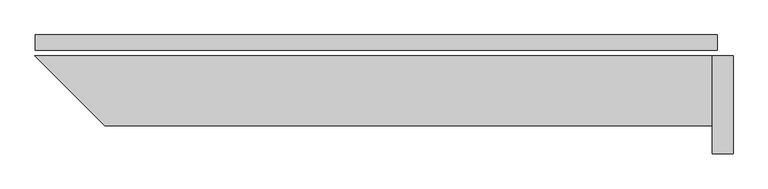
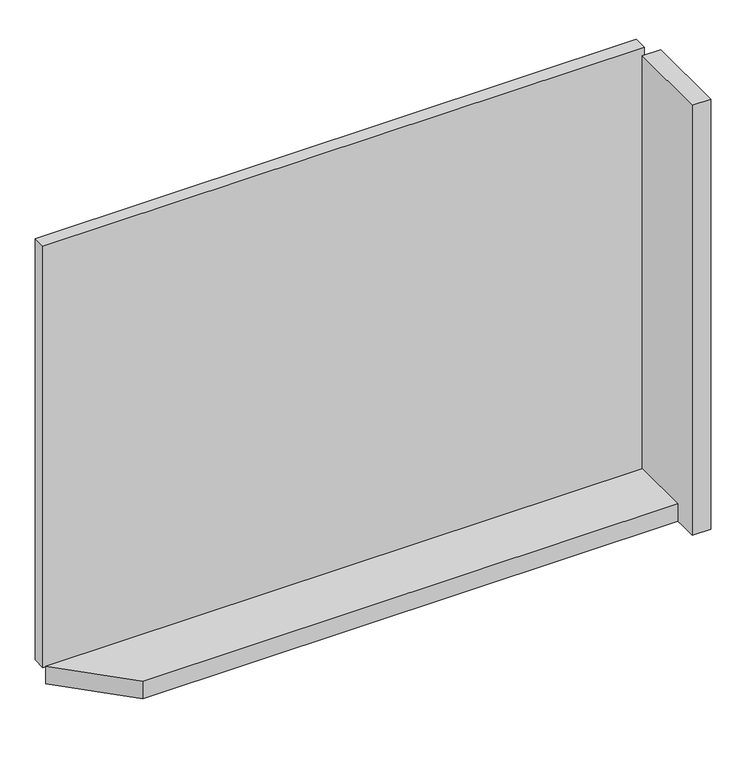
"""IFC4 building model written with IfcOpenShell, lengths in millimetres: plate geometry."""

from ifc_helpers import new_model, si_unit, frame, origin, origin_with_axes, place, context, project, spatial, polyline, outline, extrude, source, transform, mapped, element, save


def plate_8c566d22(model_context):
    return source(origin(), model_context, "Body", "SweptSolid", [
        extrude(outline(polyline([(977.0, 0.0), (977.0, -44.0), (-977.0, -44.0), (-977.0, 0.0), (977.0, 0.0)])), origin_with_axes(), (0.0, 0.0, 1.0), 1447.534293),
        extrude(outline(polyline([(962.0, -260.0), (-777.5735931, -260.0), (-977.5735931, -60.0), (962.0, -60.0), (962.0, -260.0)])), frame((0.0, 0.0, -45.0), z_axis=(0.0, 0.0, 1.0), x_axis=(1.0, 0.0, 0.0)), (0.0, 0.0, 1.0), 60.0),
        extrude(outline(polyline([(1022.0, -60.0), (1022.0, -340.0), (962.0, -340.0), (962.0, -60.0), (1022.0, -60.0)])), frame((0.0, 0.0, -45.0), z_axis=(0.0, 0.0, 1.0), x_axis=(1.0, 0.0, 0.0)), (0.0, 0.0, 1.0), 1477.534293),
    ])


if __name__ == "__main__":
    model = new_model("IFC4")
    model_context = context("Model", 3, world=origin())
    ifc_project = project(units=[si_unit("LENGTHUNIT", "METRE", prefix="MILLI")], contexts=[model_context])
    site = spatial("IfcSite", under=ifc_project)
    building = spatial("IfcBuilding", under=site)
    placement = place(None, origin())
    plate_shape = plate_8c566d22(model_context)
    element("IfcPlate", 1, at=placement, inside=building, context=model_context, shape_type="MappedRepresentation", body=[
        mapped(plate_shape, transform((0.0, 0.0, 0.0), x_axis=(1.0, 0.0, 0.0), y_axis=(0.0, 1.0, 0.0), z_axis=(0.0, 0.0, 1.0))),
    ])
    save(model, "model.ifc")
